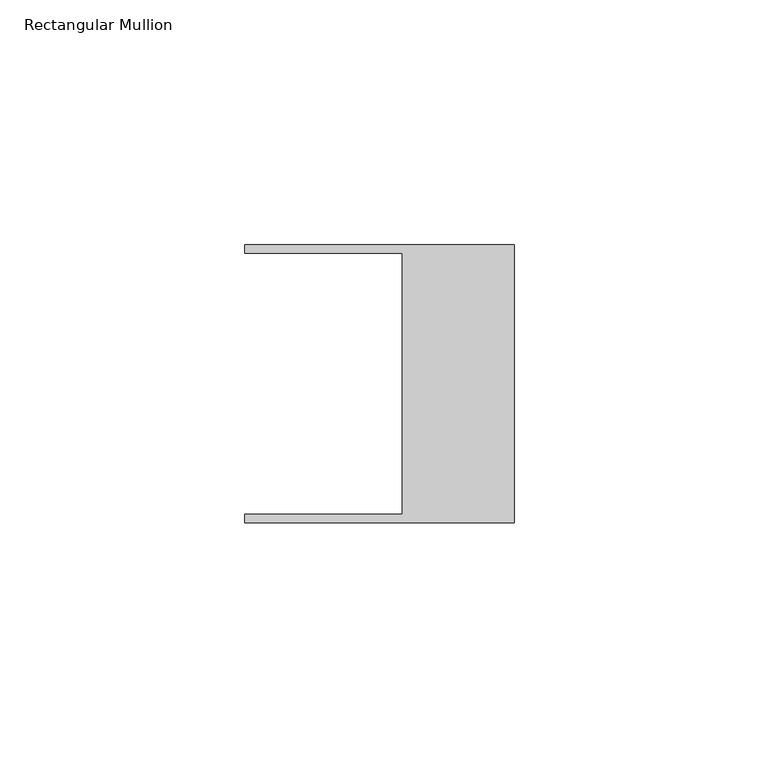
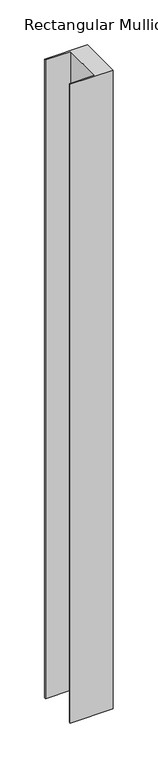
"""IFC4 building model written with IfcOpenShell, lengths in millimetres: member geometry, Rectangular Mullion."""

from ifc_helpers import new_model, si_unit, frame, origin, place, context, project, spatial, polyline, outline, extrude, source, transform, mapped, element, save


def rectangular_mullion_361afb16(model_context):
    return source(origin(), model_context, "Body", "SweptSolid", [
        extrude(outline(polyline([(-55.118, -26.67), (-22.86, -26.67), (-22.86, 26.67), (-55.118, 26.67), (-55.118, 28.448), (0.0, 28.448), (0.0, -28.448), (-55.118, -28.448), (-55.118, -26.67)])), frame((0.0, 0.0, -868.363263), z_axis=(0.0, 0.0, 1.0), x_axis=(1.0, 0.0, 0.0)), (0.0, 0.0, 1.0), 868.363263),
    ])


if __name__ == "__main__":
    model = new_model("IFC4")
    model_context = context("Model", 3, world=origin())
    ifc_project = project(units=[si_unit("LENGTHUNIT", "METRE", prefix="MILLI")], contexts=[model_context])
    site = spatial("IfcSite", under=ifc_project)
    building = spatial("IfcBuilding", under=site)
    placement = place(None, origin())
    rectangular_mullion_shape = rectangular_mullion_361afb16(model_context)
    element("IfcMember", 1, ObjectType="Rectangular Mullion", at=placement, inside=building, context=model_context, shape_type="MappedRepresentation", body=[
        mapped(rectangular_mullion_shape, transform((0.0, 0.0, 0.0), x_axis=(1.0, 0.0, 0.0), y_axis=(0.0, 1.0, 0.0), z_axis=(0.0, 0.0, 1.0))),
    ])
    save(model, "model.ifc")
